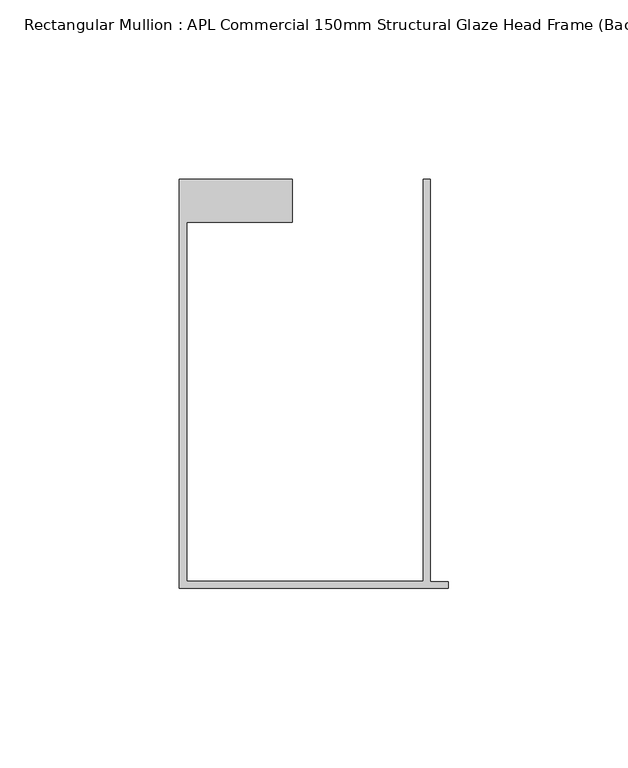
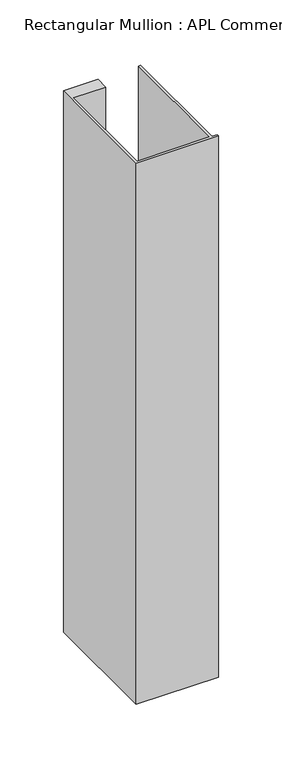
"""IFC4 building model written with IfcOpenShell, lengths in millimetres: member geometry, Rectangular Mullion : APL Commercial 150mm Structural Glaze Head Frame (Back)."""

from ifc_helpers import new_model, si_unit, frame, origin, place, context, project, spatial, polyline, outline, extrude, source, transform, mapped, element, save


def rectangular_mullion_apl_commercial_150mm_structural_glaze_3d425236(model_context):
    return source(origin(), model_context, "Body", "SweptSolid", [
        extrude(outline(polyline([(-75.0, -128.9993063), (-75.0, -14.9998342), (-43.5000151, -14.9998342), (-43.5000151, -26.9997514), (-73.0, -26.9997514), (-73.0, -126.9993063), (-7.0, -126.9993063), (-7.0, -14.9998342), (-5.0, -14.9998342), (-5.0, -127.1993063), (0.0, -127.1993063), (0.0, -128.9993063), (-75.0, -128.9993063)])), frame((0.0, 0.0, -519.5135745), z_axis=(0.0, 0.0, 1.0), x_axis=(1.0, 0.0, 0.0)), (0.0, 0.0, 1.0), 519.5135745),
    ])


if __name__ == "__main__":
    model = new_model("IFC4")
    model_context = context("Model", 3, world=origin())
    ifc_project = project(units=[si_unit("LENGTHUNIT", "METRE", prefix="MILLI")], contexts=[model_context])
    site = spatial("IfcSite", under=ifc_project)
    building = spatial("IfcBuilding", under=site)
    placement = place(None, origin())
    rectangular_mullion_apl_commercial_150mm_structural_glaze_shape = rectangular_mullion_apl_commercial_150mm_structural_glaze_3d425236(model_context)
    element("IfcMember", 1, ObjectType="Rectangular Mullion : APL Commercial 150mm Structural Glaze Head Frame (Back)", at=placement, inside=building, context=model_context, shape_type="MappedRepresentation", body=[
        mapped(rectangular_mullion_apl_commercial_150mm_structural_glaze_shape, transform((0.0, 0.0, 0.0), x_axis=(1.0, 0.0, 0.0), y_axis=(0.0, 1.0, 0.0), z_axis=(0.0, 0.0, 1.0))),
    ])
    save(model, "model.ifc")
